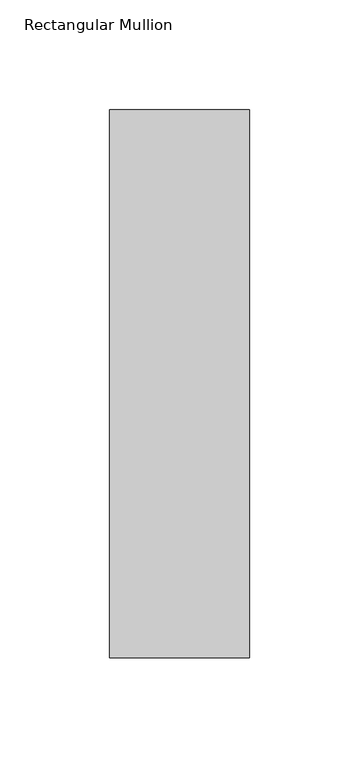
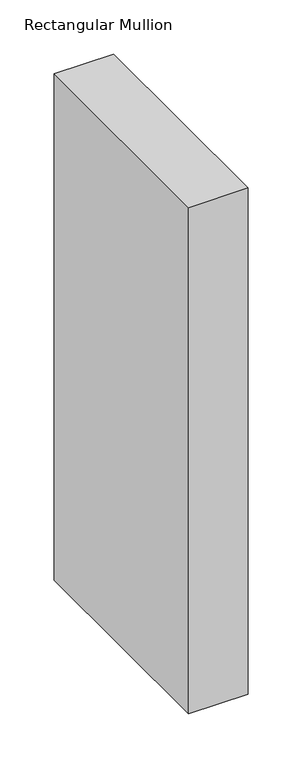
"""IFC4 building model written with IfcOpenShell, lengths in millimetres: member geometry, Rectangular Mullion."""

from ifc_helpers import new_model, si_unit, frame, origin, place, context, project, spatial, polyline, outline, extrude, source, transform, mapped, element, save


def rectangular_mullion_554a2880(model_context):
    return source(origin(), model_context, "Body", "SweptSolid", [
        extrude(outline(polyline([(-63.5, 46.7447302), (-63.5, 295.9695312), (0.0, 295.9695312), (0.0, 46.7447302), (-63.5, 46.7447302)])), frame((0.0, 0.0, -571.8194233), z_axis=(0.0, 0.0, 1.0), x_axis=(1.0, 0.0, 0.0)), (0.0, 0.0, 1.0), 571.8194233),
    ])


if __name__ == "__main__":
    model = new_model("IFC4")
    model_context = context("Model", 3, world=origin())
    ifc_project = project(units=[si_unit("LENGTHUNIT", "METRE", prefix="MILLI")], contexts=[model_context])
    site = spatial("IfcSite", under=ifc_project)
    building = spatial("IfcBuilding", under=site)
    placement = place(None, origin())
    rectangular_mullion_shape = rectangular_mullion_554a2880(model_context)
    element("IfcMember", 1, ObjectType="Rectangular Mullion", at=placement, inside=building, context=model_context, shape_type="MappedRepresentation", body=[
        mapped(rectangular_mullion_shape, transform((0.0, 0.0, 0.0), x_axis=(1.0, 0.0, 0.0), y_axis=(0.0, 1.0, 0.0), z_axis=(0.0, 0.0, 1.0))),
    ])
    save(model, "model.ifc")
